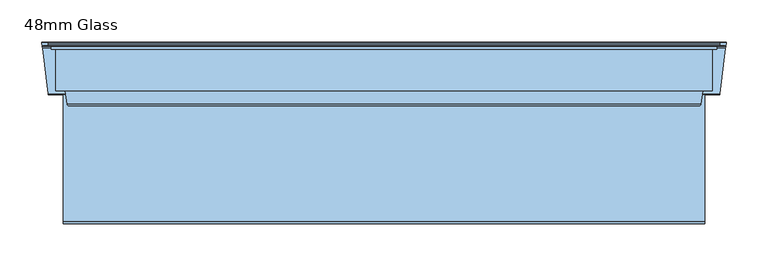
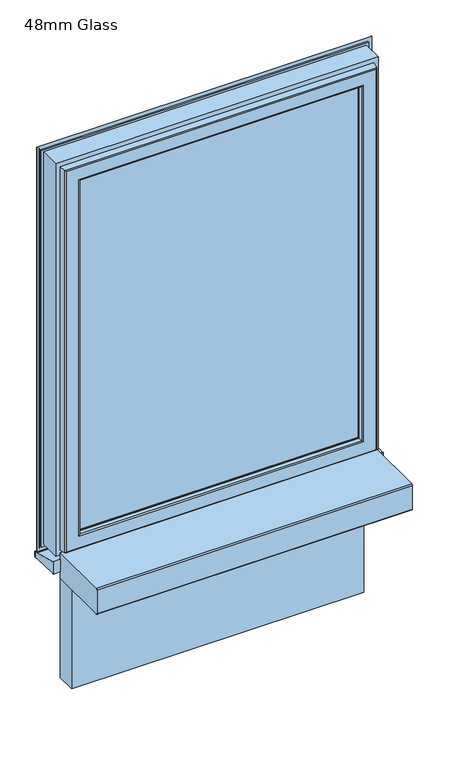
"""IFC4 building model written with IfcOpenShell, lengths in millimetres: window geometry, 48mm Glass."""

from ifc_helpers import new_model, si_unit, frame, origin, place, context, project, spatial, polyline, circle_curve, ellipse_curve, outline, extrude, source, transform, mapped, element, save
from ifc_brep_helpers import plane_surface, cylinder_surface, revolved_surface, advanced_brep


def window_48mm_glass_c2f703a0(model_context):
    return source(origin(), model_context, "Body", "SolidModel", [
        extrude(outline(polyline([(354.0, 93.0110098), (-354.0, 93.0110098), (-354.0, 141.0110098), (354.0, 141.0110098), (354.0, 93.0110098)])), frame((0.0, 0.0, 1278.384), z_axis=(0.0, 0.0, 1.0), x_axis=(1.0, 0.0, 0.0)), (0.0, 0.0, 1.0), 931.616),
        advanced_brep(
        [(396.5, 148.6168436, 2252.5), (396.5, 145.5999985, 2252.5), (396.5, 145.5999985, 1235.884), (396.5, 148.6168436, 1235.884), (399.0, 153.0, 2255.0), (400.0, 152.0, 2256.0), (400.0, 152.0, 1232.384), (399.0, 153.0, 1233.384), (340.0012615, 141.0, 2196.0012615), (340.0012615, 142.3599713, 2196.0012615), (340.0012615, 142.3599713, 1292.3827385), (340.0012615, 141.0, 1292.3827385), (358.3697055, 93.0110098, 2214.3697055), (364.2620126, 141.0, 2220.2620126), (364.2620126, 141.0, 1268.1219874), (358.3697055, 93.0110098, 1274.0142945), (340.0013518, 90.0110098, 2196.0013518), (340.0013518, 93.0110098, 2196.0013518), (340.0013518, 93.0110098, 1292.3826482), (340.0013518, 90.0110098, 1292.3826482), (340.0232044, 88.8030982, 2196.0232044), (341.001352, 90.0110098, 2197.001352), (341.001352, 90.0110098, 1291.382648), (340.0232044, 88.8030982, 1292.3607956), (341.8120427, 80.376265, 2197.8120427), (341.8120427, 80.376265, 1290.5719573), (344.7464855, 78.0, 2200.7464855), (344.7464855, 78.0, 1287.6375145), (377.5618051, 79.7562613, 2233.5618051), (375.5767128, 78.0, 2231.5767128), (375.5767128, 78.0, 1256.8072872), (377.5618051, 79.7562613, 1254.8221949), (379.5562854, 96.0, 2235.5562854), (379.5562854, 96.0, 1252.8277146), (391.0, 145.5999985, 2247.0), (391.0, 96.0, 2247.0), (391.0, 96.0, 1241.384), (391.0, 145.5999985, 1241.384), (-396.5, 145.5999985, 1235.884), (-396.5, 148.6168436, 1235.884), (-400.0, 152.0, 1232.384), (-399.0, 153.0, 1233.384), (-340.0012615, 142.3599713, 1292.3827385), (-340.0012615, 141.0, 1292.3827385), (-364.2620126, 141.0, 1268.1219874), (-358.3697055, 93.0110098, 1274.0142945), (-340.0013518, 93.0110098, 1292.3826482), (-340.0013518, 90.0110098, 1292.3826482), (-341.001352, 90.0110098, 1291.382648), (-340.0232044, 88.8030982, 1292.3607956), (-341.8120427, 80.376265, 1290.5719573), (-344.7464855, 78.0, 1287.6375145), (-375.5767128, 78.0, 1256.8072872), (-377.5618051, 79.7562613, 1254.8221949), (-379.5562854, 96.0, 1252.8277146), (-391.0, 96.0, 1241.384), (-391.0, 145.5999985, 1241.384), (-396.5, 145.5999985, 2252.5), (-396.5, 148.6168436, 2252.5), (-400.0, 152.0, 2256.0), (-399.0, 153.0, 2255.0), (-340.0012615, 142.3599713, 2196.0012615), (-340.0012615, 141.0, 2196.0012615), (-364.2620126, 141.0, 2220.2620126), (-358.3697055, 93.0110098, 2214.3697055), (-340.0013518, 93.0110098, 2196.0013518), (-340.0013518, 90.0110098, 2196.0013518), (-341.001352, 90.0110098, 2197.001352), (-340.0232044, 88.8030982, 2196.0232044), (-341.8120427, 80.376265, 2197.8120427), (-344.7464855, 78.0, 2200.7464855), (-375.5767128, 78.0, 2231.5767128), (-377.5618051, 79.7562613, 2233.5618051), (-379.5562854, 96.0, 2235.5562854), (-391.0, 96.0, 2247.0), (-391.0, 145.5999985, 2247.0), (406.1997151, 149.6865589, 1226.1842849), (-406.1997151, 149.6865589, 1226.1842849), (-406.1997151, 149.6865589, 2262.1997151), (406.1997151, 149.6865589, 2262.1997151), (400.0, 149.6865589, 2256.0), (-400.0, 149.6865589, 2256.0), (-400.0, 149.6865589, 1232.384), (400.0, 149.6865589, 1232.384), (352.2173048, 153.0, 1280.1666952), (-352.2173048, 153.0, 1280.1666952), (-352.2173048, 153.0, 2208.2173048), (352.2173048, 153.0, 2208.2173048), (344.5279664, 153.0, 2200.5279664), (-344.5279664, 153.0, 2200.5279664), (-344.5279664, 153.0, 1287.8560336), (344.5279664, 153.0, 1287.8560336), (406.1997151, 148.6168436, 2262.1997151), (406.1997151, 148.6168436, 1226.1842849), (-406.1997151, 148.6168436, 1226.1842849), (-406.1997151, 148.6168436, 2262.1997151), (357.6650635, 152.2610098, 2213.6650635), (358.7826952, 153.0, 2214.7826952), (358.7826952, 153.0, 1273.6013048), (357.6650635, 152.2610098, 1274.7189365), (353.3349365, 152.2610098, 2209.3349365), (353.3349365, 152.2610098, 1279.0490635), (342.8249234, 151.5957532, 2198.8249234), (342.8249234, 151.5957532, 1289.5590766), (-358.7826952, 153.0, 1273.6013048), (-357.6650635, 152.2610098, 1274.7189365), (-353.3349365, 152.2610098, 1279.0490635), (-342.8249234, 151.5957532, 1289.5590766), (-358.7826952, 153.0, 2214.7826952), (-357.6650635, 152.2610098, 2213.6650635), (-353.3349365, 152.2610098, 2209.3349365), (-342.8249234, 151.5957532, 2198.8249234)],
        [
            (0, 1),
            (1, 2),
            (2, 3),
            (3, 0),
            (4, 5, ellipse_curve(frame((399.0, 152.0, 2255.0), z_axis=(0.7071067811865475, 0.0, -0.7071067811865475), x_axis=(0.7071067811865474, 0.0, 0.7071067811865476)), 1.4142136, 1.0)),
            (5, 6),
            (6, 7, ellipse_curve(frame((399.0, 152.0, 1233.384), z_axis=(0.7071067811865475, 0.0, 0.7071067811865475), x_axis=(-0.7071067811865474, 0.0, 0.7071067811865476)), 1.4142136, 1.0)),
            (7, 4),
            (8, 9),
            (9, 10),
            (10, 11),
            (11, 8),
            (12, 13),
            (13, 14),
            (14, 15),
            (15, 12),
            (16, 17),
            (17, 18),
            (18, 19),
            (19, 16),
            (20, 21, ellipse_curve(frame((341.001352, 89.0110098, 2197.001352), z_axis=(0.7071067811865475, 0.0, -0.7071067811865475), x_axis=(0.7071067811865474, 0.0, 0.7071067811865476)), 1.4142136, 1.0)),
            (21, 22),
            (22, 23, ellipse_curve(frame((341.001352, 89.0110098, 1291.382648), z_axis=(0.7071067811865475, 0.0, 0.7071067811865475), x_axis=(-0.7071067811865474, 0.0, 0.7071067811865476)), 1.4142136, 1.0)),
            (23, 20),
            (24, 20),
            (23, 25),
            (25, 24),
            (26, 24, ellipse_curve(frame((344.7464855, 81.0, 2200.7464855), z_axis=(0.7071067811865475, 0.0, -0.7071067811865475), x_axis=(0.7071067811865474, 0.0, 0.7071067811865476)), 4.2426407, 3.0)),
            (25, 27, ellipse_curve(frame((344.7464855, 81.0, 1287.6375145), z_axis=(0.7071067811865475, 0.0, 0.7071067811865475), x_axis=(-0.7071067811865474, 0.0, 0.7071067811865476)), 4.2426407, 3.0)),
            (27, 26),
            (28, 29, ellipse_curve(frame((375.5767128, 80.0, 2231.5767128), z_axis=(0.7071067811865475, 0.0, -0.7071067811865475), x_axis=(0.7071067811865474, 0.0, 0.7071067811865476)), 2.8284271, 2.0)),
            (29, 30),
            (30, 31, ellipse_curve(frame((375.5767128, 80.0, 1256.8072872), z_axis=(0.7071067811865475, 0.0, 0.7071067811865475), x_axis=(-0.7071067811865474, 0.0, 0.7071067811865476)), 2.8284271, 2.0)),
            (31, 28),
            (32, 28),
            (31, 33),
            (33, 32),
            (34, 35),
            (35, 36),
            (36, 37),
            (37, 34),
            (2, 38),
            (38, 39),
            (39, 3),
            (6, 40),
            (40, 41, ellipse_curve(frame((-399.0, 152.0, 1233.384), z_axis=(0.7071067811865475, 0.0, -0.7071067811865475), x_axis=(0.7071067811865476, 0.0, 0.7071067811865474)), 1.4142136, 1.0)),
            (41, 7),
            (10, 42),
            (42, 43),
            (43, 11),
            (14, 44),
            (44, 45),
            (45, 15),
            (18, 46),
            (46, 47),
            (47, 19),
            (22, 48),
            (48, 49, ellipse_curve(frame((-341.001352, 89.0110098, 1291.382648), z_axis=(0.7071067811865475, 0.0, -0.7071067811865475), x_axis=(0.7071067811865476, 0.0, 0.7071067811865474)), 1.4142136, 1.0)),
            (49, 23),
            (49, 50),
            (50, 25),
            (50, 51, ellipse_curve(frame((-344.7464855, 81.0, 1287.6375145), z_axis=(0.7071067811865475, 0.0, -0.7071067811865475), x_axis=(0.7071067811865476, 0.0, 0.7071067811865474)), 4.2426407, 3.0)),
            (51, 27),
            (30, 52),
            (52, 53, ellipse_curve(frame((-375.5767128, 80.0, 1256.8072872), z_axis=(0.7071067811865475, 0.0, -0.7071067811865475), x_axis=(0.7071067811865476, 0.0, 0.7071067811865474)), 2.8284271, 2.0)),
            (53, 31),
            (53, 54),
            (54, 33),
            (36, 55),
            (55, 56),
            (56, 37),
            (38, 57),
            (57, 58),
            (58, 39),
            (40, 59),
            (59, 60, ellipse_curve(frame((-399.0, 152.0, 2255.0), z_axis=(-0.7071067811865475, 0.0, -0.7071067811865475), x_axis=(0.7071067811865474, 0.0, -0.7071067811865476)), 1.4142136, 1.0)),
            (60, 41),
            (42, 61),
            (61, 62),
            (62, 43),
            (44, 63),
            (63, 64),
            (64, 45),
            (46, 65),
            (65, 66),
            (66, 47),
            (48, 67),
            (67, 68, ellipse_curve(frame((-341.001352, 89.0110098, 2197.001352), z_axis=(-0.7071067811865475, 0.0, -0.7071067811865475), x_axis=(0.7071067811865474, 0.0, -0.7071067811865476)), 1.4142136, 1.0)),
            (68, 49),
            (68, 69),
            (69, 50),
            (69, 70, ellipse_curve(frame((-344.7464855, 81.0, 2200.7464855), z_axis=(-0.7071067811865475, 0.0, -0.7071067811865475), x_axis=(0.7071067811865474, 0.0, -0.7071067811865476)), 4.2426407, 3.0)),
            (70, 51),
            (52, 71),
            (71, 72, ellipse_curve(frame((-375.5767128, 80.0, 2231.5767128), z_axis=(-0.7071067811865475, 0.0, -0.7071067811865475), x_axis=(0.7071067811865474, 0.0, -0.7071067811865476)), 2.8284271, 2.0)),
            (72, 53),
            (72, 73),
            (73, 54),
            (55, 74),
            (74, 75),
            (75, 56),
            (1, 57),
            (75, 34),
            (0, 58),
            (76, 77),
            (77, 78),
            (78, 79),
            (79, 76),
            (80, 81),
            (81, 82),
            (82, 83),
            (83, 80),
            (59, 5),
            (4, 60),
            (84, 85),
            (85, 86),
            (86, 87),
            (87, 84),
            (88, 89),
            (89, 90),
            (90, 91),
            (91, 88),
            (61, 9),
            (8, 62),
            (13, 63),
            (12, 64),
            (17, 65),
            (16, 66),
            (21, 67),
            (20, 68),
            (24, 69),
            (26, 70),
            (29, 71),
            (28, 72),
            (32, 73),
            (35, 74),
            (79, 92),
            (92, 93),
            (93, 76),
            (5, 80),
            (83, 6),
            (93, 94),
            (94, 77),
            (82, 40),
            (94, 95),
            (95, 78),
            (81, 59),
            (92, 95),
            (96, 97, ellipse_curve(frame((358.9641016, 151.5110098, 2214.9641016), z_axis=(0.7071067811865475, 0.0, -0.7071067811865475), x_axis=(0.7071067811865474, 0.0, 0.7071067811865476)), 2.1213203, 1.5)),
            (97, 98),
            (98, 99, ellipse_curve(frame((358.9641016, 151.5110098, 1273.4198984), z_axis=(0.7071067811865475, 0.0, 0.7071067811865475), x_axis=(-0.7071067811865474, 0.0, 0.7071067811865476)), 2.1213203, 1.5)),
            (99, 96),
            (100, 96, ellipse_curve(frame((355.5, 153.5110098, 2211.5), z_axis=(-0.7071067811865475, 0.0, 0.7071067811865475), x_axis=(-0.7071067811865474, 0.0, -0.7071067811865476)), 3.5355339, 2.5)),
            (99, 101, ellipse_curve(frame((355.5, 153.5110098, 1276.884), z_axis=(-0.7071067811865475, 0.0, -0.7071067811865475), x_axis=(0.7071067811865474, 0.0, -0.7071067811865476)), 3.5355339, 2.5)),
            (101, 100),
            (87, 100, ellipse_curve(frame((352.0358984, 151.5110098, 2208.0358984), z_axis=(0.7071067811865475, 0.0, -0.7071067811865475), x_axis=(0.7071067811865474, 0.0, 0.7071067811865476)), 2.1213203, 1.5)),
            (101, 84, ellipse_curve(frame((352.0358984, 151.5110098, 1280.3481016), z_axis=(0.7071067811865475, 0.0, 0.7071067811865475), x_axis=(-0.7071067811865474, 0.0, 0.7071067811865476)), 2.1213203, 1.5)),
            (102, 88, ellipse_curve(frame((344.7375329, 151.0110098, 2200.7375329), z_axis=(0.7071067811865475, 0.0, -0.7071067811865475), x_axis=(0.7071067811865474, 0.0, 0.7071067811865476)), 2.8284271, 2.0)),
            (91, 103, ellipse_curve(frame((344.7375329, 151.0110098, 1287.6464671), z_axis=(0.7071067811865475, 0.0, 0.7071067811865475), x_axis=(-0.7071067811865474, 0.0, 0.7071067811865476)), 2.8284271, 2.0)),
            (103, 102),
            (9, 102),
            (103, 10),
            (98, 104),
            (104, 105, ellipse_curve(frame((-358.9641016, 151.5110098, 1273.4198984), z_axis=(0.7071067811865475, 0.0, -0.7071067811865475), x_axis=(0.7071067811865476, 0.0, 0.7071067811865474)), 2.1213203, 1.5)),
            (105, 99),
            (105, 106, ellipse_curve(frame((-355.5, 153.5110098, 1276.884), z_axis=(-0.7071067811865475, 0.0, 0.7071067811865475), x_axis=(-0.7071067811865476, 0.0, -0.7071067811865474)), 3.5355339, 2.5)),
            (106, 101),
            (106, 85, ellipse_curve(frame((-352.0358984, 151.5110098, 1280.3481016), z_axis=(0.7071067811865475, 0.0, -0.7071067811865475), x_axis=(0.7071067811865476, 0.0, 0.7071067811865474)), 2.1213203, 1.5)),
            (90, 107, ellipse_curve(frame((-344.7375329, 151.0110098, 1287.6464671), z_axis=(0.7071067811865475, 0.0, -0.7071067811865475), x_axis=(0.7071067811865476, 0.0, 0.7071067811865474)), 2.8284271, 2.0)),
            (107, 103),
            (107, 42),
            (104, 108),
            (108, 109, ellipse_curve(frame((-358.9641016, 151.5110098, 2214.9641016), z_axis=(-0.7071067811865475, 0.0, -0.7071067811865475), x_axis=(0.7071067811865474, 0.0, -0.7071067811865476)), 2.1213203, 1.5)),
            (109, 105),
            (109, 110, ellipse_curve(frame((-355.5, 153.5110098, 2211.5), z_axis=(0.7071067811865475, 0.0, 0.7071067811865475), x_axis=(-0.7071067811865474, 0.0, 0.7071067811865476)), 3.5355339, 2.5)),
            (110, 106),
            (110, 86, ellipse_curve(frame((-352.0358984, 151.5110098, 2208.0358984), z_axis=(-0.7071067811865475, 0.0, -0.7071067811865475), x_axis=(0.7071067811865474, 0.0, -0.7071067811865476)), 2.1213203, 1.5)),
            (89, 111, ellipse_curve(frame((-344.7375329, 151.0110098, 2200.7375329), z_axis=(-0.7071067811865475, 0.0, -0.7071067811865475), x_axis=(0.7071067811865474, 0.0, -0.7071067811865476)), 2.8284271, 2.0)),
            (111, 107),
            (111, 61),
            (97, 108),
            (96, 109),
            (100, 110),
            (102, 111),
        ],
        [
            plane_surface(frame((396.5, 145.5999985, 2252.5), z_axis=(1.0, 0.0, 0.0), x_axis=(0.0, 0.0, -1.0))),
            cylinder_surface(frame((399.0, 152.0, 2247.0), z_axis=(0.0, 0.0, 1.0), x_axis=(0.0, -1.0, 0.0)), 1.0),
            plane_surface(frame((340.0012615, 142.3599713, 2196.0012615), z_axis=(-1.0, 0.0, 0.0), x_axis=(0.0, 0.0, -1.0))),
            plane_surface(frame((364.2620126, 141.0, 2220.2620126), z_axis=(-0.9925461516413232, 0.12186934340513839, 0.0), x_axis=(0.0, 0.0, -1.0))),
            plane_surface(frame((340.0013518, 93.0110098, 2196.0013518), z_axis=(-1.0, 0.0, 0.0), x_axis=(0.0, 0.0, -1.0))),
            cylinder_surface(frame((341.001352, 89.0110098, 2247.0), z_axis=(0.0, 0.0, 1.0), x_axis=(0.0, -1.0, 0.0)), 1.0),
            plane_surface(frame((340.0232044, 88.8030982, 2196.0232044), z_axis=(-0.9782028159557521, -0.207651753800051, 0.0), x_axis=(0.0, 0.0, -1.0))),
            cylinder_surface(frame((344.7464855, 81.0, 2247.0), z_axis=(0.0, 0.0, 1.0), x_axis=(0.0, -1.0, 0.0)), 3.0),
            cylinder_surface(frame((375.5767128, 80.0, 2247.0), z_axis=(0.0, 0.0, 1.0), x_axis=(0.0, -1.0, 0.0)), 2.0),
            plane_surface(frame((377.5618051, 79.7562613, 2233.5618051), z_axis=(0.9925461516416152, -0.1218693434027605, 0.0), x_axis=(0.0, 0.0, -1.0))),
            plane_surface(frame((391.0, 96.0, 2247.0), z_axis=(1.0, 0.0, 0.0), x_axis=(0.0, 0.0, -1.0))),
            plane_surface(frame((396.5, 145.5999985, 1235.884), z_axis=(0.0, 0.0, -1.0), x_axis=(-1.0, 0.0, 0.0))),
            cylinder_surface(frame((391.0, 152.0, 1233.384), z_axis=(1.0, 0.0, 0.0), x_axis=(0.0, -1.0, 0.0)), 1.0),
            plane_surface(frame((340.0012615, 142.3599713, 1292.3827385), z_axis=(0.0, 0.0, 1.0), x_axis=(-1.0, 0.0, 0.0))),
            plane_surface(frame((364.2620126, 141.0, 1268.1219874), z_axis=(0.0, 0.12186934340513839, 0.9925461516413232), x_axis=(-1.0, 0.0, 0.0))),
            plane_surface(frame((340.0013518, 93.0110098, 1292.3826482), z_axis=(0.0, 0.0, 1.0), x_axis=(-1.0, 0.0, 0.0))),
            cylinder_surface(frame((391.0, 89.0110098, 1291.382648), z_axis=(1.0, 0.0, 0.0), x_axis=(0.0, -1.0, 0.0)), 1.0),
            plane_surface(frame((340.0232044, 88.8030982, 1292.3607956), z_axis=(0.0, -0.207651753800051, 0.9782028159557521), x_axis=(-1.0, 0.0, 0.0))),
            cylinder_surface(frame((391.0, 81.0, 1287.6375145), z_axis=(1.0, 0.0, 0.0), x_axis=(0.0, -1.0, 0.0)), 3.0),
            cylinder_surface(frame((391.0, 80.0, 1256.8072872), z_axis=(1.0, 0.0, 0.0), x_axis=(0.0, -1.0, 0.0)), 2.0),
            plane_surface(frame((377.5618051, 79.7562613, 1254.8221949), z_axis=(0.0, -0.1218693434027605, -0.9925461516416152), x_axis=(-1.0, 0.0, 0.0))),
            plane_surface(frame((391.0, 96.0, 1241.384), z_axis=(0.0, 0.0, -1.0), x_axis=(-1.0, 0.0, 0.0))),
            plane_surface(frame((-396.5, 145.5999985, 1235.884), z_axis=(-1.0, 0.0, 0.0), x_axis=(0.0, 0.0, 1.0))),
            cylinder_surface(frame((-399.0, 152.0, 1241.384), z_axis=(0.0, 0.0, -1.0), x_axis=(0.0, -1.0, 0.0)), 1.0),
            plane_surface(frame((-340.0012615, 142.3599713, 1292.3827385), z_axis=(1.0, 0.0, 0.0), x_axis=(0.0, 0.0, 1.0))),
            plane_surface(frame((-364.2620126, 141.0, 1268.1219874), z_axis=(0.9925461516413232, 0.12186934340513839, 0.0), x_axis=(0.0, 0.0, 1.0))),
            plane_surface(frame((-340.0013518, 93.0110098, 1292.3826482), z_axis=(1.0, 0.0, 0.0), x_axis=(0.0, 0.0, 1.0))),
            cylinder_surface(frame((-341.001352, 89.0110098, 1241.384), z_axis=(0.0, 0.0, -1.0), x_axis=(0.0, -1.0, 0.0)), 1.0),
            plane_surface(frame((-340.0232044, 88.8030982, 1292.3607956), z_axis=(0.9782028159557521, -0.207651753800051, 0.0), x_axis=(0.0, 0.0, 1.0))),
            cylinder_surface(frame((-344.7464855, 81.0, 1241.384), z_axis=(0.0, 0.0, -1.0), x_axis=(0.0, -1.0, 0.0)), 3.0),
            cylinder_surface(frame((-375.5767128, 80.0, 1241.384), z_axis=(0.0, 0.0, -1.0), x_axis=(0.0, -1.0, 0.0)), 2.0),
            plane_surface(frame((-377.5618051, 79.7562613, 1254.8221949), z_axis=(-0.9925461516416152, -0.1218693434027605, 0.0), x_axis=(0.0, 0.0, 1.0))),
            plane_surface(frame((-391.0, 96.0, 1241.384), z_axis=(-1.0, 0.0, 0.0), x_axis=(0.0, 0.0, 1.0))),
            plane_surface(frame((-391.0, 145.5999985, 2247.0), z_axis=(0.0, -1.0, 0.0), x_axis=(1.0, 0.0, 0.0))),
            plane_surface(frame((-396.5, 145.5999985, 2252.5), z_axis=(0.0, 0.0, 1.0), x_axis=(1.0, 0.0, 0.0))),
            plane_surface(frame((-406.1997151, 149.6865589, 2262.1997151), z_axis=(0.0, 1.0, 0.0), x_axis=(1.0, 0.0, 0.0))),
            cylinder_surface(frame((-391.0, 152.0, 2255.0), z_axis=(-1.0, 0.0, 0.0), x_axis=(0.0, -1.0, 0.0)), 1.0),
            plane_surface(frame((-352.2173048, 153.0, 2208.2173048), z_axis=(0.0, 1.0, 0.0), x_axis=(1.0, 0.0, 0.0))),
            plane_surface(frame((-340.0012615, 142.3599713, 2196.0012615), z_axis=(0.0, 0.0, -1.0), x_axis=(1.0, 0.0, 0.0))),
            plane_surface(frame((-340.0012615, 141.0, 2196.0012615), z_axis=(0.0, -1.0, 0.0), x_axis=(1.0, 0.0, 0.0))),
            plane_surface(frame((-364.2620126, 141.0, 2220.2620126), z_axis=(0.0, 0.12186934340513839, -0.9925461516413232), x_axis=(1.0, 0.0, 0.0))),
            plane_surface(frame((-358.3697055, 93.0110098, 2214.3697055), z_axis=(0.0, 1.0, 0.0), x_axis=(1.0, 0.0, 0.0))),
            plane_surface(frame((-340.0013518, 93.0110098, 2196.0013518), z_axis=(0.0, 0.0, -1.0), x_axis=(1.0, 0.0, 0.0))),
            plane_surface(frame((-340.0013518, 90.0110098, 2196.0013518), z_axis=(0.0, -1.0, 0.0), x_axis=(1.0, 0.0, 0.0))),
            cylinder_surface(frame((-391.0, 89.0110098, 2197.001352), z_axis=(-1.0, 0.0, 0.0), x_axis=(0.0, -1.0, 0.0)), 1.0),
            plane_surface(frame((-340.0232044, 88.8030982, 2196.0232044), z_axis=(0.0, -0.207651753800051, -0.9782028159557521), x_axis=(1.0, 0.0, 0.0))),
            cylinder_surface(frame((-391.0, 81.0, 2200.7464855), z_axis=(-1.0, 0.0, 0.0), x_axis=(0.0, -1.0, 0.0)), 3.0),
            plane_surface(frame((-344.7464855, 78.0, 2200.7464855), z_axis=(0.0, -1.0, 0.0), x_axis=(1.0, 0.0, 0.0))),
            cylinder_surface(frame((-391.0, 80.0, 2231.5767128), z_axis=(-1.0, 0.0, 0.0), x_axis=(0.0, -1.0, 0.0)), 2.0),
            plane_surface(frame((-377.5618051, 79.7562613, 2233.5618051), z_axis=(0.0, -0.1218693434027605, 0.9925461516416152), x_axis=(1.0, 0.0, 0.0))),
            plane_surface(frame((-379.5562854, 96.0, 2235.5562854), z_axis=(0.0, -1.0, 0.0), x_axis=(1.0, 0.0, 0.0))),
            plane_surface(frame((-391.0, 96.0, 2247.0), z_axis=(0.0, 0.0, 1.0), x_axis=(1.0, 0.0, 0.0))),
            plane_surface(frame((406.1997151, 148.6168436, 2262.1997151), z_axis=(1.0, 0.0, 0.0), x_axis=(0.0, 0.0, -1.0))),
            plane_surface(frame((400.0, 149.6865589, 2256.0), z_axis=(1.0, 0.0, 0.0), x_axis=(0.0, 0.0, -1.0))),
            plane_surface(frame((406.1997151, 148.6168436, 1226.1842849), z_axis=(0.0, 0.0, -1.0), x_axis=(-1.0, 0.0, 0.0))),
            plane_surface(frame((400.0, 149.6865589, 1232.384), z_axis=(0.0, 0.0, -1.0), x_axis=(-1.0, 0.0, 0.0))),
            plane_surface(frame((-406.1997151, 148.6168436, 1226.1842849), z_axis=(-1.0, 0.0, 0.0), x_axis=(0.0, 0.0, 1.0))),
            plane_surface(frame((-400.0, 149.6865589, 1232.384), z_axis=(-1.0, 0.0, 0.0), x_axis=(0.0, 0.0, 1.0))),
            plane_surface(frame((-396.5, 148.6168436, 2252.5), z_axis=(0.0, -1.0, 0.0), x_axis=(1.0, 0.0, 0.0))),
            plane_surface(frame((-406.1997151, 148.6168436, 2262.1997151), z_axis=(0.0, 0.0, 1.0), x_axis=(1.0, 0.0, 0.0))),
            plane_surface(frame((-400.0, 149.6865589, 2256.0), z_axis=(0.0, 0.0, 1.0), x_axis=(1.0, 0.0, 0.0))),
            cylinder_surface(frame((358.9641016, 151.5110098, 2247.0), z_axis=(0.0, 0.0, 1.0), x_axis=(0.0, -1.0, 0.0)), 1.5),
            revolved_surface(polyline([(355.5, 151.0110098, 1274.384000004195), (355.5, 151.0110098, 2213.999999995805)]), (355.5, 153.5110098, 2247.0), (0.0, 0.0, -1.0)),
            cylinder_surface(frame((352.0358984, 151.5110098, 2247.0), z_axis=(0.0, 0.0, 1.0), x_axis=(0.0, -1.0, 0.0)), 1.5),
            cylinder_surface(frame((344.7375329, 151.0110098, 2247.0), z_axis=(0.0, 0.0, 1.0), x_axis=(0.0, -1.0, 0.0)), 2.0),
            plane_surface(frame((342.8249234, 151.5957532, 2198.8249234), z_axis=(-0.9563047559630313, 0.2923717047227504, 0.0), x_axis=(0.0, 0.0, -1.0))),
            cylinder_surface(frame((391.0, 151.5110098, 1273.4198984), z_axis=(1.0, 0.0, 0.0), x_axis=(0.0, -1.0, 0.0)), 1.5),
            revolved_surface(polyline([(-357.99999999580496, 151.0110098, 1276.884), (357.9999999958049, 151.0110098, 1276.884)]), (391.0, 153.5110098, 1276.884), (-1.0, 0.0, 0.0)),
            cylinder_surface(frame((391.0, 151.5110098, 1280.3481016), z_axis=(1.0, 0.0, 0.0), x_axis=(0.0, -1.0, 0.0)), 1.5),
            cylinder_surface(frame((391.0, 151.0110098, 1287.6464671), z_axis=(1.0, 0.0, 0.0), x_axis=(0.0, -1.0, 0.0)), 2.0),
            plane_surface(frame((342.8249234, 151.5957532, 1289.5590766), z_axis=(0.0, 0.2923717047227504, 0.9563047559630313), x_axis=(-1.0, 0.0, 0.0))),
            cylinder_surface(frame((-358.9641016, 151.5110098, 1241.384), z_axis=(0.0, 0.0, -1.0), x_axis=(0.0, -1.0, 0.0)), 1.5),
            revolved_surface(polyline([(-355.5, 151.0110098, 2213.999999995805), (-355.5, 151.0110098, 1274.384000004195)]), (-355.5, 153.5110098, 1241.384), (0.0, 0.0, 1.0)),
            cylinder_surface(frame((-352.0358984, 151.5110098, 1241.384), z_axis=(0.0, 0.0, -1.0), x_axis=(0.0, -1.0, 0.0)), 1.5),
            cylinder_surface(frame((-344.7375329, 151.0110098, 1241.384), z_axis=(0.0, 0.0, -1.0), x_axis=(0.0, -1.0, 0.0)), 2.0),
            plane_surface(frame((-342.8249234, 151.5957532, 1289.5590766), z_axis=(0.9563047559630313, 0.2923717047227504, 0.0), x_axis=(0.0, 0.0, 1.0))),
            plane_surface(frame((-399.0, 153.0, 2255.0), z_axis=(0.0, 1.0, 0.0), x_axis=(1.0, 0.0, 0.0))),
            cylinder_surface(frame((-391.0, 151.5110098, 2214.9641016), z_axis=(-1.0, 0.0, 0.0), x_axis=(0.0, -1.0, 0.0)), 1.5),
            revolved_surface(polyline([(357.99999999580496, 151.0110098, 2211.5), (-357.9999999958049, 151.0110098, 2211.5)]), (-391.0, 153.5110098, 2211.5), (1.0, 0.0, 0.0)),
            cylinder_surface(frame((-391.0, 151.5110098, 2208.0358984), z_axis=(-1.0, 0.0, 0.0), x_axis=(0.0, -1.0, 0.0)), 1.5),
            cylinder_surface(frame((-391.0, 151.0110098, 2200.7375329), z_axis=(-1.0, 0.0, 0.0), x_axis=(0.0, -1.0, 0.0)), 2.0),
            plane_surface(frame((-342.8249234, 151.5957532, 2198.8249234), z_axis=(0.0, 0.2923717047227504, -0.9563047559630313), x_axis=(1.0, 0.0, 0.0))),
        ],
        [
            (0, [[1, 2, 3, 4]]),
            (1, [[5, 6, 7, 8]]),
            (2, [[9, 10, 11, 12]]),
            (3, [[13, 14, 15, 16]]),
            (4, [[17, 18, 19, 20]]),
            (5, [[21, 22, 23, 24]]),
            (6, [[25, -24, 26, 27]]),
            (7, [[28, -27, 29, 30]]),
            (8, [[31, 32, 33, 34]]),
            (9, [[35, -34, 36, 37]]),
            (10, [[38, 39, 40, 41]]),
            (11, [[-3, 42, 43, 44]]),
            (12, [[-7, 45, 46, 47]]),
            (13, [[-11, 48, 49, 50]]),
            (14, [[-15, 51, 52, 53]]),
            (15, [[-19, 54, 55, 56]]),
            (16, [[-23, 57, 58, 59]]),
            (17, [[-26, -59, 60, 61]]),
            (18, [[-29, -61, 62, 63]]),
            (19, [[-33, 64, 65, 66]]),
            (20, [[-36, -66, 67, 68]]),
            (21, [[-40, 69, 70, 71]]),
            (22, [[-43, 72, 73, 74]]),
            (23, [[-46, 75, 76, 77]]),
            (24, [[-49, 78, 79, 80]]),
            (25, [[-52, 81, 82, 83]]),
            (26, [[-55, 84, 85, 86]]),
            (27, [[-58, 87, 88, 89]]),
            (28, [[-60, -89, 90, 91]]),
            (29, [[-62, -91, 92, 93]]),
            (30, [[-65, 94, 95, 96]]),
            (31, [[-67, -96, 97, 98]]),
            (32, [[-70, 99, 100, 101]]),
            (33, [[102, -72, -42, -2], [-71, -101, 103, -41]]),
            (34, [[-73, -102, -1, 104]]),
            (35, [[105, 106, 107, 108], [109, 110, 111, 112]]),
            (36, [[-76, 113, -5, 114]]),
            (37, [[115, 116, 117, 118], [119, 120, 121, 122]]),
            (38, [[-79, 123, -9, 124]]),
            (39, [[125, -81, -51, -14], [-50, -80, -124, -12]]),
            (40, [[-82, -125, -13, 126]]),
            (41, [[-53, -83, -126, -16], [127, -84, -54, -18]]),
            (42, [[-85, -127, -17, 128]]),
            (43, [[129, -87, -57, -22], [-56, -86, -128, -20]]),
            (44, [[-88, -129, -21, 130]]),
            (45, [[-90, -130, -25, 131]]),
            (46, [[-92, -131, -28, 132]]),
            (47, [[133, -94, -64, -32], [-63, -93, -132, -30]]),
            (48, [[-95, -133, -31, 134]]),
            (49, [[-97, -134, -35, 135]]),
            (50, [[136, -99, -69, -39], [-68, -98, -135, -37]]),
            (51, [[-100, -136, -38, -103]]),
            (52, [[137, 138, 139, -108]]),
            (53, [[140, -112, 141, -6]]),
            (54, [[-139, 142, 143, -105]]),
            (55, [[-141, -111, 144, -45]]),
            (56, [[-143, 145, 146, -106]]),
            (57, [[-144, -110, 147, -75]]),
            (58, [[148, -145, -142, -138], [-44, -74, -104, -4]]),
            (59, [[-146, -148, -137, -107]]),
            (60, [[-147, -109, -140, -113]]),
            (61, [[149, 150, 151, 152]]),
            (62, [[153, -152, 154, 155]]),
            (63, [[156, -155, 157, -118]]),
            (64, [[158, -122, 159, 160]]),
            (65, [[161, -160, 162, -10]]),
            (66, [[-151, 163, 164, 165]]),
            (67, [[-154, -165, 166, 167]]),
            (68, [[-157, -167, 168, -115]]),
            (69, [[-159, -121, 169, 170]]),
            (70, [[-162, -170, 171, -48]]),
            (71, [[-164, 172, 173, 174]]),
            (72, [[-166, -174, 175, 176]]),
            (73, [[-168, -176, 177, -116]]),
            (74, [[-169, -120, 178, 179]]),
            (75, [[-171, -179, 180, -78]]),
            (76, [[-47, -77, -114, -8], [181, -172, -163, -150]]),
            (77, [[-173, -181, -149, 182]]),
            (78, [[-175, -182, -153, 183]]),
            (79, [[-177, -183, -156, -117]]),
            (80, [[-178, -119, -158, 184]]),
            (81, [[-180, -184, -161, -123]]),
        ],
    ),
        advanced_brep(
        [(382.0, 91.0, 1201.0569121), (382.0, 91.0, 1184.384), (-382.0, 91.0, 1184.384), (-382.0, 91.0, 1201.0569121), (382.0, -59.408, 1184.384), (-382.0, -59.408, 1184.384), (382.0, -62.408, 1187.384), (382.0, -62.408, 1247.384), (-382.0, -62.408, 1247.384), (-382.0, -62.408, 1187.384), (382.0, -59.408, 1250.384), (382.0, 91.0, 1250.384), (-382.0, 91.0, 1250.384), (-382.0, -59.408, 1250.384), (382.0, 91.0, 1233.7110879), (-382.0, 91.0, 1233.7110879), (400.1583253, 92.2894565, 1232.2259376), (406.822025, 146.5609347, 1225.5733048), (-406.822025, 146.5609347, 1225.5733048), (-400.1583253, 92.2894565, 1232.2259376), (406.822025, 146.5609347, 1209.1946952), (400.1583253, 92.2894565, 1202.5420624), (-400.1583253, 92.2894565, 1202.5420624), (-406.822025, 146.5609347, 1209.1946952), (400.0, 91.0, 1201.0569121), (400.0, 91.0, 1233.7110879), (407.6, 153.0, 1224.784), (407.6, 153.0, 1209.984), (407.6, 154.0, 1210.984), (407.6, 154.0, 1223.784), (407.0359197, 148.3029671, 1209.984), (407.0359197, 148.3029671, 1224.784), (-400.0, 91.0, 1233.7110879), (-400.0, 91.0, 1201.0569121), (-407.6, 153.0, 1209.984), (-407.6, 153.0, 1224.784), (-407.6, 154.0, 1223.784), (-407.6, 154.0, 1210.984), (-407.0359197, 148.3029671, 1224.784), (-407.0359197, 148.3029671, 1209.984)],
        [
            (0, 1),
            (1, 2),
            (2, 3),
            (3, 0),
            (1, 4),
            (4, 5),
            (5, 2),
            (6, 7),
            (7, 8),
            (8, 9),
            (9, 6),
            (10, 11),
            (11, 12),
            (12, 13),
            (13, 10),
            (11, 14),
            (14, 15),
            (15, 12),
            (16, 17),
            (17, 18),
            (18, 19),
            (19, 16),
            (20, 21),
            (21, 22),
            (22, 23),
            (23, 20),
            (14, 0),
            (0, 24),
            (24, 25),
            (25, 14),
            (10, 7, circle_curve(frame((382.0, -59.408, 1247.384), z_axis=(1.0, 0.0, 0.0), x_axis=(0.0, 0.0, 1.0)), 3.0)),
            (6, 4, circle_curve(frame((382.0, -59.408, 1187.384), z_axis=(1.0, 0.0, 0.0), x_axis=(0.0, 0.0, 1.0)), 3.0)),
            (26, 27),
            (27, 28, circle_curve(frame((407.6, 153.0, 1210.984), z_axis=(1.0, 0.0, 0.0), x_axis=(0.0, 0.0, 1.0)), 1.0)),
            (28, 29),
            (29, 26, circle_curve(frame((407.6, 153.0, 1223.784), z_axis=(1.0, 0.0, 0.0), x_axis=(0.0, 0.0, 1.0)), 1.0)),
            (24, 21, ellipse_curve(frame((400.1841768, 92.5, 1201.0569121), z_axis=(-0.9925461516413167, 0.12186934340519202, 0.0), x_axis=(0.12186934340519086, 0.9925461516413167, 0.0)), 1.5112647, 1.5)),
            (20, 30),
            (30, 27),
            (26, 31),
            (31, 17),
            (16, 25, ellipse_curve(frame((400.1841768, 92.5, 1233.7110879), z_axis=(-0.9925461516413167, 0.12186934340519202, 0.0), x_axis=(0.12186934340519086, 0.9925461516413167, 0.0)), 1.5112647, 1.5)),
            (3, 15),
            (15, 32),
            (32, 33),
            (33, 3),
            (5, 9, circle_curve(frame((-382.0, -59.408, 1187.384), z_axis=(-1.0, 0.0, 0.0), x_axis=(0.0, 0.0, 1.0)), 3.0)),
            (8, 13, circle_curve(frame((-382.0, -59.408, 1247.384), z_axis=(-1.0, 0.0, 0.0), x_axis=(0.0, 0.0, 1.0)), 3.0)),
            (34, 35),
            (35, 36, circle_curve(frame((-407.6, 153.0, 1223.784), z_axis=(-1.0, 0.0, 0.0), x_axis=(0.0, 0.0, 1.0)), 1.0)),
            (36, 37),
            (37, 34, circle_curve(frame((-407.6, 153.0, 1210.984), z_axis=(-1.0, 0.0, 0.0), x_axis=(0.0, 0.0, 1.0)), 1.0)),
            (32, 19, ellipse_curve(frame((-400.1841768, 92.5, 1233.7110879), z_axis=(0.9925461516413218, 0.12186934340514957, 0.0), x_axis=(0.12186934340514949, -0.9925461516413219, 0.0)), 1.5112647, 1.5)),
            (18, 38),
            (38, 35),
            (34, 39),
            (39, 23),
            (22, 33, ellipse_curve(frame((-400.1841768, 92.5, 1201.0569121), z_axis=(0.9925461516413218, 0.12186934340514957, 0.0), x_axis=(0.12186934340514949, -0.9925461516413219, 0.0)), 1.5112647, 1.5)),
            (31, 38),
            (26, 35),
            (29, 36),
            (28, 37),
            (27, 34),
            (30, 39),
        ],
        [
            plane_surface(frame((-432.0, 91.0, 1201.0569121), z_axis=(0.0, 1.0, 0.0), x_axis=(1.0, 0.0, 0.0))),
            plane_surface(frame((-432.0, 91.0, 1184.384), z_axis=(0.0, 0.0, -1.0), x_axis=(1.0, 0.0, 0.0))),
            plane_surface(frame((-432.0, -62.408, 1187.384), z_axis=(0.0, -1.0, 0.0), x_axis=(1.0, 0.0, 0.0))),
            plane_surface(frame((-432.0, -59.408, 1250.384), z_axis=(0.0, 0.0, 1.0), x_axis=(1.0, 0.0, 0.0))),
            plane_surface(frame((-432.0, 91.0, 1250.384), z_axis=(0.0, 1.0, 0.0), x_axis=(1.0, 0.0, 0.0))),
            plane_surface(frame((-432.0, 92.2894565, 1232.2259376), z_axis=(0.0, 0.12166994625706114, 0.9925706142022359), x_axis=(1.0, 0.0, 0.0))),
            plane_surface(frame((-432.0, 146.5609347, 1209.1946952), z_axis=(0.0, 0.12166994625704212, -0.9925706142022382), x_axis=(1.0, 0.0, 0.0))),
            plane_surface(frame((400.0, 91.0, 1467.384), z_axis=(0.0, -1.0, 0.0), x_axis=(0.0, 0.0, -1.0))),
            plane_surface(frame((382.0, 91.0, 1467.384), z_axis=(1.0, 0.0, 0.0), x_axis=(0.0, 0.0, -1.0))),
            plane_surface(frame((407.6, 154.0, 1467.384), z_axis=(1.0, 0.0, 0.0), x_axis=(0.0, 0.0, -1.0))),
            plane_surface(frame((407.6, 152.8970329, 1467.384), z_axis=(0.9925461516413167, -0.12186934340519202, 0.0), x_axis=(0.0, 0.0, -1.0))),
            plane_surface(frame((-382.0, 91.0, 1467.384), z_axis=(0.0, -1.0, 0.0), x_axis=(0.0, 0.0, -1.0))),
            plane_surface(frame((-382.0, -62.408, 1467.384), z_axis=(-1.0, 0.0, 0.0), x_axis=(0.0, 0.0, -1.0))),
            plane_surface(frame((-407.6, 152.8970329, 1467.384), z_axis=(-1.0, 0.0, 0.0), x_axis=(0.0, 0.0, -1.0))),
            plane_surface(frame((-400.0, 91.0, 1467.384), z_axis=(-0.9925461516413218, -0.12186934340514957, 0.0), x_axis=(0.0, 0.0, -1.0))),
            revolved_surface(polyline([(400.3683536367004, 92.5, 1202.5569121), (-400.36835363670036, 92.5, 1202.5569121)]), (432.0, 92.5, 1201.0569121), (1.0, 0.0, 0.0)),
            cylinder_surface(frame((432.0, -59.408, 1187.384), z_axis=(-1.0, 0.0, 0.0), x_axis=(0.0, 0.0, 1.0)), 3.0),
            cylinder_surface(frame((432.0, -59.408, 1247.384), z_axis=(-1.0, 0.0, 0.0), x_axis=(0.0, 0.0, 1.0)), 3.0),
            revolved_surface(polyline([(400.3683536367004, 92.5, 1235.2110879), (-400.36835363670036, 92.5, 1235.2110879)]), (432.0, 92.5, 1233.7110879), (1.0, 0.0, 0.0)),
            plane_surface(frame((-432.0, 146.5609347, 1225.5733048), z_axis=(0.0, 0.4127070888885561, 0.9108637981504883), x_axis=(1.0, 0.0, 0.0))),
            plane_surface(frame((-432.0, 148.3029671, 1224.784), z_axis=(0.0, 0.0, 1.0), x_axis=(1.0, 0.0, 0.0))),
            cylinder_surface(frame((432.0, 153.0, 1223.784), z_axis=(-1.0, 0.0, 0.0), x_axis=(0.0, 0.0, 1.0)), 1.0),
            plane_surface(frame((-432.0, 154.0, 1223.784), z_axis=(0.0, 1.0, 0.0), x_axis=(1.0, 0.0, 0.0))),
            cylinder_surface(frame((432.0, 153.0, 1210.984), z_axis=(-1.0, 0.0, 0.0), x_axis=(0.0, 0.0, 1.0)), 1.0),
            plane_surface(frame((-432.0, 153.0, 1209.984), z_axis=(0.0, 0.0, -1.0), x_axis=(1.0, 0.0, 0.0))),
            plane_surface(frame((-432.0, 148.3029671, 1209.984), z_axis=(0.0, 0.41270708890017077, -0.9108637981452258), x_axis=(1.0, 0.0, 0.0))),
        ],
        [
            (0, [[1, 2, 3, 4]]),
            (1, [[5, 6, 7, -2]]),
            (2, [[8, 9, 10, 11]]),
            (3, [[12, 13, 14, 15]]),
            (4, [[16, 17, 18, -13]]),
            (5, [[19, 20, 21, 22]]),
            (6, [[23, 24, 25, 26]]),
            (7, [[27, 28, 29, 30]]),
            (8, [[-27, -16, -12, 31, -8, 32, -5, -1]]),
            (9, [[33, 34, 35, 36]]),
            (10, [[-29, 37, -23, 38, 39, -33, 40, 41, -19, 42]]),
            (11, [[43, 44, 45, 46]]),
            (12, [[-43, -3, -7, 47, -10, 48, -14, -18]]),
            (13, [[49, 50, 51, 52]]),
            (14, [[-45, 53, -21, 54, 55, -49, 56, 57, -25, 58]]),
            (15, [[-28, -4, -46, -58, -24, -37]]),
            (16, [[-32, -11, -47, -6]]),
            (17, [[-31, -15, -48, -9]]),
            (18, [[-30, -42, -22, -53, -44, -17]]),
            (19, [[-41, 59, -54, -20]]),
            (20, [[-40, 60, -55, -59]]),
            (21, [[-36, 61, -50, -60]]),
            (22, [[-35, 62, -51, -61]]),
            (23, [[-34, 63, -52, -62]]),
            (24, [[-39, 64, -56, -63]]),
            (25, [[-38, -26, -57, -64]]),
        ],
    ),
        extrude(outline(polyline([(354.0, 93.0110098), (-354.0, 93.0110098), (-354.0, 141.0110098), (354.0, 141.0110098), (354.0, 93.0110098)])), frame((0.0, 0.0, 890.0), z_axis=(0.0, 0.0, 1.0), x_axis=(1.0, 0.0, 0.0)), (0.0, 0.0, 1.0), 266.384),
    ])


if __name__ == "__main__":
    model = new_model("IFC4")
    model_context = context("Model", 3, world=origin())
    ifc_project = project(units=[si_unit("LENGTHUNIT", "METRE", prefix="MILLI")], contexts=[model_context])
    site = spatial("IfcSite", under=ifc_project)
    building = spatial("IfcBuilding", under=site)
    placement = place(None, origin())
    window_48mm_glass_shape = window_48mm_glass_c2f703a0(model_context)
    element("IfcWindow", 1, ObjectType="48mm Glass", at=placement, inside=building, context=model_context, shape_type="MappedRepresentation", body=[
        mapped(window_48mm_glass_shape, transform((0.0, 0.0, 0.0), x_axis=(1.0, 0.0, 0.0), y_axis=(0.0, 1.0, 0.0), z_axis=(0.0, 0.0, 1.0))),
    ])
    save(model, "model.ifc")
